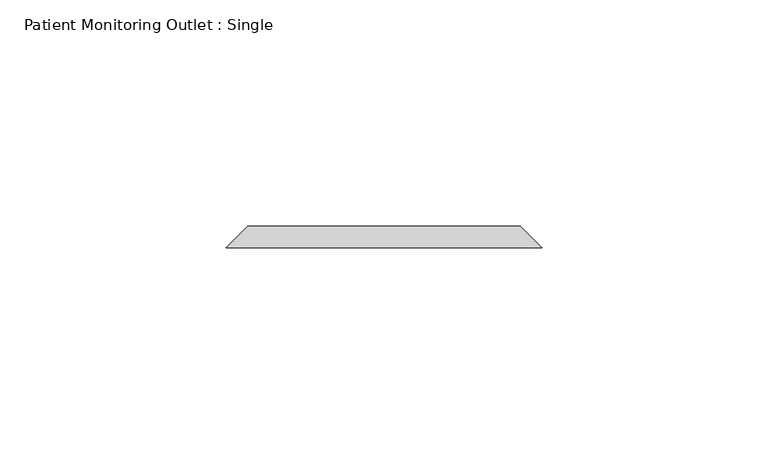
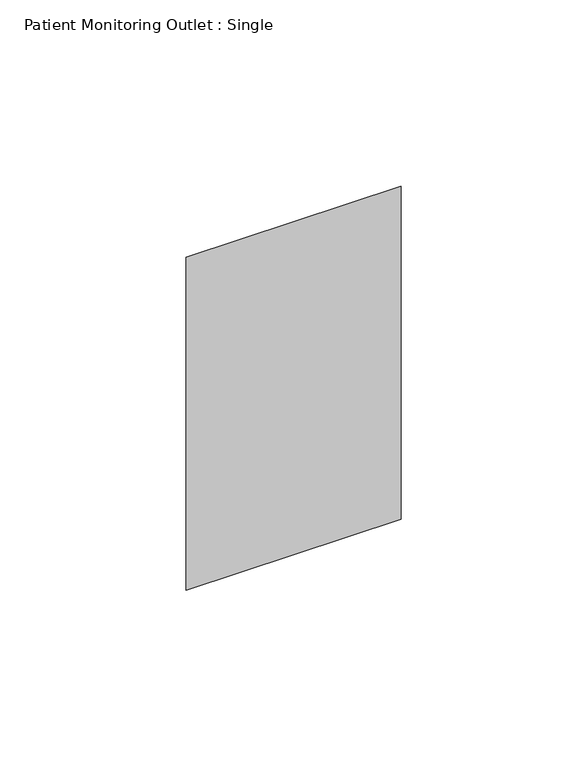
"""IFC4 building model written with IfcOpenShell, lengths in millimetres: proxy geometry, Patient Monitoring Outlet : Single."""

from ifc_helpers import new_model, si_unit, origin, place, context, project, spatial, faceted_brep, source, transform, mapped, element, save


def patient_monitoring_outlet_single_b6c2167a(model_context):
    return source(origin(), model_context, "Body", "Brep", [
        faceted_brep([(-30.1625, 66.675, 357.1875), (30.1625, 66.675, 357.1875), (30.1625, 66.675, 252.4125), (-30.1625, 66.675, 252.4125), (-34.925, 61.9125, 361.95), (-34.925, 61.9125, 247.65), (34.925, 61.9125, 247.65), (34.925, 61.9125, 361.95)], [[[0, 1, 2, 3]], [[4, 5, 6, 7]], [[4, 7, 1, 0]], [[7, 6, 2, 1]], [[6, 5, 3, 2]], [[5, 4, 0, 3]]]),
    ])


if __name__ == "__main__":
    model = new_model("IFC4")
    model_context = context("Model", 3, world=origin())
    ifc_project = project(units=[si_unit("LENGTHUNIT", "METRE", prefix="MILLI")], contexts=[model_context])
    site = spatial("IfcSite", under=ifc_project)
    building = spatial("IfcBuilding", under=site)
    placement = place(None, origin())
    patient_monitoring_outlet_single_shape = patient_monitoring_outlet_single_b6c2167a(model_context)
    element("IfcBuildingElementProxy", 1, Name="Patient Monitoring Outlet : Single", ObjectType="Patient Monitoring Outlet : Single", at=placement, inside=building, context=model_context, shape_type="MappedRepresentation", body=[
        mapped(patient_monitoring_outlet_single_shape, transform((0.0, 0.0, 0.0), x_axis=(1.0, 0.0, 0.0), y_axis=(0.0, 1.0, 0.0), z_axis=(0.0, 0.0, 1.0))),
    ])
    save(model, "model.ifc")
